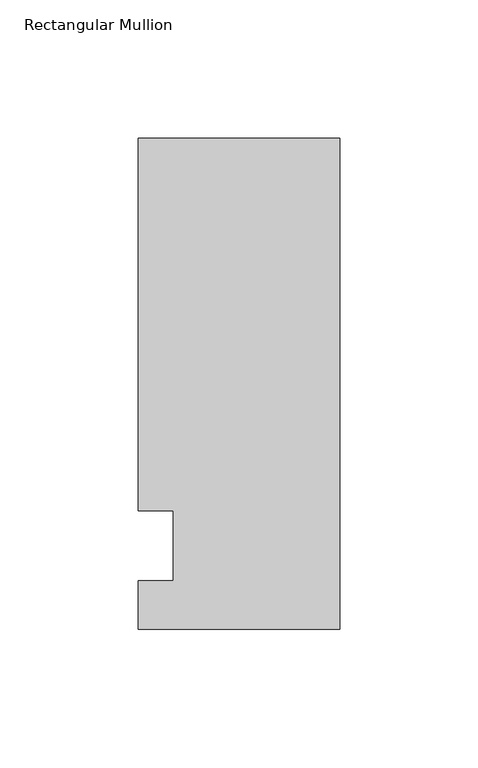
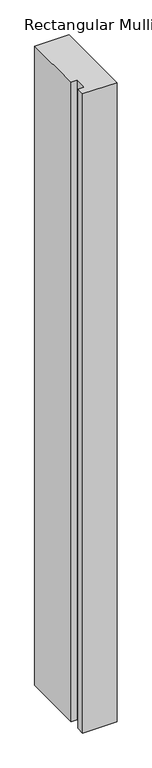
"""IFC4 building model written with IfcOpenShell, lengths in millimetres: member geometry, Rectangular Mullion."""

from ifc_helpers import new_model, si_unit, frame, origin, place, context, project, spatial, polyline, outline, extrude, source, transform, mapped, element, save


def rectangular_mullion_a0f0f89b(model_context):
    return source(origin(), model_context, "Body", "SweptSolid", [
        extrude(outline(polyline([(-73.025, 147.6375), (0.0, 147.6375), (0.0, -30.1625), (-73.025, -30.1625), (-73.025, -12.7), (-60.3232296, -12.7), (-60.3232296, 12.7), (-73.025, 12.7), (-73.025, 147.6375)])), frame((0.0, 0.0, -1443.5666667), z_axis=(0.0, 0.0, 1.0), x_axis=(1.0, 0.0, 0.0)), (0.0, 0.0, 1.0), 1443.5666667),
    ])


if __name__ == "__main__":
    model = new_model("IFC4")
    model_context = context("Model", 3, world=origin())
    ifc_project = project(units=[si_unit("LENGTHUNIT", "METRE", prefix="MILLI")], contexts=[model_context])
    site = spatial("IfcSite", under=ifc_project)
    building = spatial("IfcBuilding", under=site)
    placement = place(None, origin())
    rectangular_mullion_shape = rectangular_mullion_a0f0f89b(model_context)
    element("IfcMember", 1, ObjectType="Rectangular Mullion", at=placement, inside=building, context=model_context, shape_type="MappedRepresentation", body=[
        mapped(rectangular_mullion_shape, transform((0.0, 0.0, 0.0), x_axis=(1.0, 0.0, 0.0), y_axis=(0.0, 1.0, 0.0), z_axis=(0.0, 0.0, 1.0))),
    ])
    save(model, "model.ifc")
